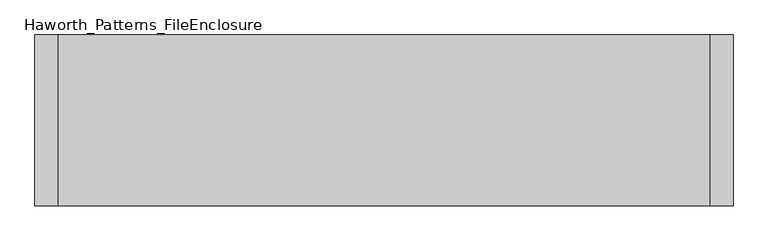
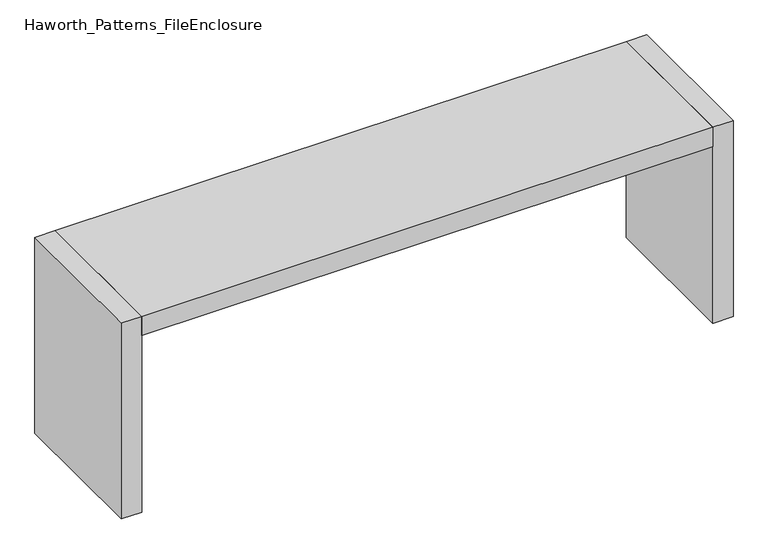
"""IFC4 building model written with IfcOpenShell, lengths in millimetres: furniture geometry, Haworth_Patterns_FileEnclosure."""

from ifc_helpers import new_model, si_unit, frame, origin, origin_with_axes, place, context, project, spatial, polyline, outline, extrude, source, transform, mapped, element, save


def haworth_patterns_fileenclosure_6a47e859(model_context):
    return source(origin(), model_context, "Body", "SweptSolid", [
        extrude(outline(polyline([(1066.8, 0.0), (1066.8, -558.8), (-1066.8, -558.8), (-1066.8, 0.0), (1066.8, 0.0)])), frame((0.0, 0.0, 698.5), z_axis=(0.0, 0.0, 1.0), x_axis=(1.0, 0.0, 0.0)), (0.0, 0.0, 1.0), 76.2),
        extrude(outline(polyline([(1066.8, 0.0), (1143.0, 0.0), (1143.0, -558.8), (1066.8, -558.8), (1066.8, 0.0)])), origin_with_axes(), (0.0, 0.0, 1.0), 774.7),
        extrude(outline(polyline([(-1066.8, 0.0), (-1066.8, -558.8), (-1143.0, -558.8), (-1143.0, 0.0), (-1066.8, 0.0)])), origin_with_axes(), (0.0, 0.0, 1.0), 774.7),
    ])


if __name__ == "__main__":
    model = new_model("IFC4")
    model_context = context("Model", 3, world=origin())
    ifc_project = project(units=[si_unit("LENGTHUNIT", "METRE", prefix="MILLI")], contexts=[model_context])
    site = spatial("IfcSite", under=ifc_project)
    building = spatial("IfcBuilding", under=site)
    placement = place(None, origin())
    haworth_patterns_fileenclosure_shape = haworth_patterns_fileenclosure_6a47e859(model_context)
    element("IfcFurniture", 1, ObjectType="Haworth_Patterns_FileEnclosure", at=placement, inside=building, context=model_context, shape_type="MappedRepresentation", body=[
        mapped(haworth_patterns_fileenclosure_shape, transform((0.0, 0.0, 0.0), x_axis=(1.0, 0.0, 0.0), y_axis=(0.0, 1.0, 0.0), z_axis=(0.0, 0.0, 1.0))),
    ])
    save(model, "model.ifc")
